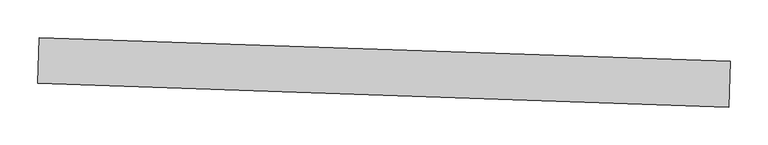
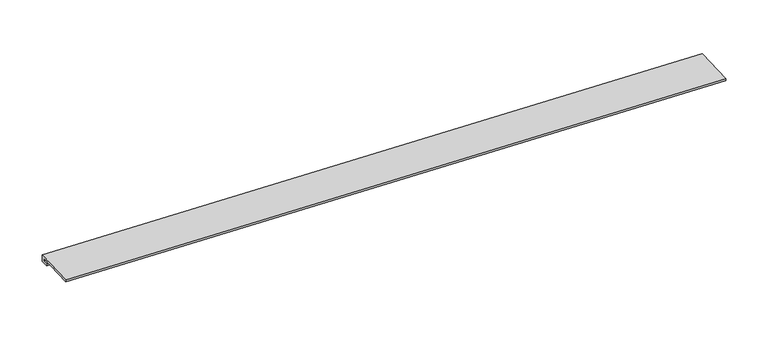
"""IFC4 building model written with IfcOpenShell, lengths in millimetres: proxy geometry."""

from ifc_helpers import new_model, si_unit, frame, origin, place, context, project, spatial, polyline, outline, extrude, source, transform, mapped, element, save


def generic_models_ec0e8ce8(model_context):
    return source(origin(), model_context, "Body", "SweptSolid", [
        extrude(outline(polyline([(0.0, 0.0), (9.5659166, 0.0), (9.5659166, -60.4630868), (6.3414503, -60.4630868), (6.3414503, -3.3130867), (2.8940922, -3.3130867), (2.8940922, -11.0333116), (0.0, -11.0333116), (0.0, 0.0)])), frame((18231.7647346, -14271.073332, 3038.2763325), z_axis=(-0.9994149475907841, 0.03420179135820947, 0.0), x_axis=(0.0, 0.0, 1.0)), (0.0, 0.0, 1.0), 914.4),
    ])


if __name__ == "__main__":
    model = new_model("IFC4")
    model_context = context("Model", 3, world=origin())
    ifc_project = project(units=[si_unit("LENGTHUNIT", "METRE", prefix="MILLI")], contexts=[model_context])
    site = spatial("IfcSite", under=ifc_project)
    building = spatial("IfcBuilding", under=site)
    placement = place(None, origin())
    generic_models_shape = generic_models_ec0e8ce8(model_context)
    element("IfcBuildingElementProxy", 1, Name="Generic Models", at=placement, inside=building, context=model_context, shape_type="MappedRepresentation", body=[
        mapped(generic_models_shape, transform((0.0, 0.0, 0.0), x_axis=(1.0, 0.0, 0.0), y_axis=(0.0, 1.0, 0.0), z_axis=(0.0, 0.0, 1.0))),
    ])
    save(model, "model.ifc")
